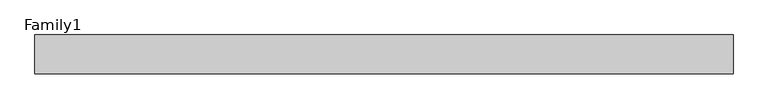
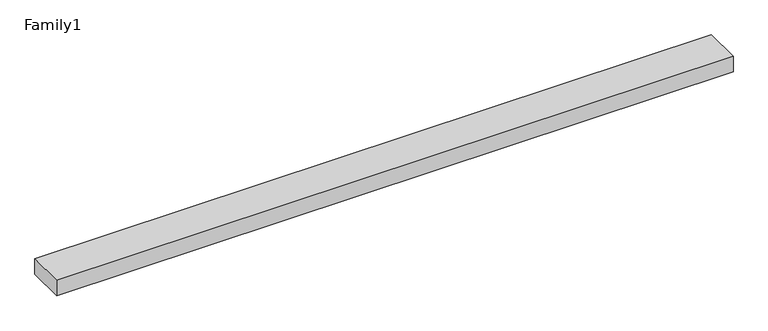
"""IFC4 building model written with IfcOpenShell, lengths in millimetres: proxy geometry, Family1."""

import ifcopenshell
import ifcopenshell.guid

model = None  # the IFC model being written
_history = None  # IfcOwnerHistory: only IFC2X3 demands one
_inside = {}  # id of a spatial element -> (the spatial element, [elements in it])
_under = {}  # id of a project, library or spatial element -> (it, [spatial elements below it])
_declared = {}  # id of a project -> (the project, [libraries it declares])
_typed = {}  # id of a type object -> (the type object, [elements of that type])
_made_of = {}  # id of a material, layer set ... -> (it, [elements and type objects made of it])


def new_model(schema):
    """Start an empty IFC model of exactly this schema.

    Asked for "IFC4X3", IfcOpenShell would pick the latest addendum, in which some entities
    have other attributes; the version numbers below select the first issue.
    IFC2X3 requires an IfcOwnerHistory on every rooted entity: one is made here for all.
    """
    global model, _history
    if schema == "IFC4X3":
        model = ifcopenshell.file(schema_version=(4, 3, 0, 0))
    else:
        model = ifcopenshell.file(schema=schema)
    _inside.clear()
    _under.clear()
    _declared.clear()
    _typed.clear()
    _made_of.clear()
    _history = None
    if model.schema == "IFC2X3":
        org = make("IfcOrganization", Name="unknown")
        user = make(
            "IfcPersonAndOrganization",
            ThePerson=make("IfcPerson", FamilyName="unknown"),
            TheOrganization=org,
        )
        app = make(
            "IfcApplication",
            ApplicationDeveloper=org,
            Version="unknown",
            ApplicationFullName="unknown",
            ApplicationIdentifier="unknown",
        )
        _history = make(
            "IfcOwnerHistory",
            OwningUser=user,
            OwningApplication=app,
            ChangeAction="ADDED",
            CreationDate=0,
        )
    return model


def make(cls, **values):
    """One entity of the class cls with the attributes given. An attribute that is None is left unset."""
    return model.create_entity(
        cls, **{name: value for name, value in values.items() if value is not None}
    )


def rooted(cls, **values):
    """An entity with a GlobalId (a new one), such as an element, a storey or a relation."""
    return make(cls, GlobalId=ifcopenshell.guid.new(), OwnerHistory=_history, **values)


def si_unit(unit_type, name, prefix=None):
    """IfcSIUnit, for example si_unit("LENGTHUNIT", "METRE", prefix="MILLI")."""
    return make("IfcSIUnit", UnitType=unit_type, Prefix=prefix, Name=name)


def assignment(units):
    """IfcUnitAssignment: the units of a project."""
    return None if units is None else make("IfcUnitAssignment", Units=units)


def point(xyz):
    """IfcCartesianPoint."""
    return None if xyz is None else make("IfcCartesianPoint", Coordinates=xyz)


def direction(xyz):
    """IfcDirection."""
    return None if xyz is None else make("IfcDirection", DirectionRatios=xyz)


def frame(location, z_axis=None, x_axis=None):
    """IfcAxis2Placement3D, a coordinate frame: its origin and axes. An axis left out is left unset."""
    return make(
        "IfcAxis2Placement3D",
        Location=point(location),
        Axis=direction(z_axis),
        RefDirection=direction(x_axis),
    )


def origin():
    """The frame at (0, 0, 0) with its axes left unset."""
    return frame((0.0, 0.0, 0.0))


def origin_with_axes():
    """The frame at (0, 0, 0) with the z axis (0, 0, 1) and the x axis (1, 0, 0) written out."""
    return frame((0.0, 0.0, 0.0), z_axis=(0.0, 0.0, 1.0), x_axis=(1.0, 0.0, 0.0))


def place(relative_to, where):
    """IfcLocalPlacement: puts the frame where relative to a parent placement (None: the world)."""
    return make(
        "IfcLocalPlacement", PlacementRelTo=relative_to, RelativePlacement=where
    )


def context(
    kind, dimensions, precision=None, world=None, true_north=None, identifier=None
):
    """IfcGeometricRepresentationContext, for example the 3D "Model" context."""
    return make(
        "IfcGeometricRepresentationContext",
        ContextIdentifier=identifier,
        ContextType=kind,
        CoordinateSpaceDimension=dimensions,
        Precision=precision,
        WorldCoordinateSystem=world,
        TrueNorth=true_north,
    )


def project(units=None, contexts=None):
    """IfcProject with its units and contexts."""
    return rooted(
        "IfcProject",
        Name="project",
        RepresentationContexts=contexts,
        UnitsInContext=assignment(units),
    )


def spatial(cls, under=None, at=None, **own):
    """A site, building, storey or space (cls), placed at a placement, below another one or the project."""
    s = rooted(cls, ObjectPlacement=at, **own)
    if under is not None:
        _under.setdefault(under.id(), (under, []))[1].append(s)
    return s


def polyline(points):
    """IfcPolyline through the points."""
    return make("IfcPolyline", Points=[point(p) for p in points])


def outline(outer, holes=None, kind="AREA"):
    """IfcArbitraryClosedProfileDef: a profile drawn as a closed curve; with holes, ...WithVoids."""
    if holes is None:
        return make("IfcArbitraryClosedProfileDef", ProfileType=kind, OuterCurve=outer)
    return make(
        "IfcArbitraryProfileDefWithVoids",
        ProfileType=kind,
        OuterCurve=outer,
        InnerCurves=holes,
    )


def extrude(swept, where, along, depth):
    """IfcExtrudedAreaSolid: the profile swept, set in the frame where, extruded along a direction by depth."""
    return make(
        "IfcExtrudedAreaSolid",
        SweptArea=swept,
        Position=where,
        ExtrudedDirection=direction(along),
        Depth=depth,
    )


def shape(context_of_items, identifier, shape_type, items):
    """IfcShapeRepresentation: the items that make up one representation, for example the "Body"."""
    return make(
        "IfcShapeRepresentation",
        ContextOfItems=context_of_items,
        RepresentationIdentifier=identifier,
        RepresentationType=shape_type,
        Items=items,
    )


def source(mapping_origin, context_of_items, identifier, shape_type, items):
    """IfcRepresentationMap: a shape defined once, which mapped items show again and again."""
    return make(
        "IfcRepresentationMap",
        MappingOrigin=mapping_origin,
        MappedRepresentation=shape(context_of_items, identifier, shape_type, items),
    )


def transform(
    local_origin,
    x_axis=None,
    y_axis=None,
    z_axis=None,
    scale=None,
    scale2=None,
    scale3=None,
    uniform=True,
):
    """IfcCartesianTransformationOperator3D, or its non-uniform kind. x_axis, y_axis, z_axis: its Axis1, 2, 3."""
    if uniform:
        return make(
            "IfcCartesianTransformationOperator3D",
            Axis1=direction(x_axis),
            Axis2=direction(y_axis),
            LocalOrigin=point(local_origin),
            Scale=scale,
            Axis3=direction(z_axis),
        )
    return make(
        "IfcCartesianTransformationOperator3DnonUniform",
        Axis1=direction(x_axis),
        Axis2=direction(y_axis),
        LocalOrigin=point(local_origin),
        Scale=scale,
        Axis3=direction(z_axis),
        Scale2=scale2,
        Scale3=scale3,
    )


def mapped(mapping_source, mapping_target):
    """IfcMappedItem: shows the shape of a source again, moved by a transform."""
    return make(
        "IfcMappedItem", MappingSource=mapping_source, MappingTarget=mapping_target
    )


def made_of(thing, what):
    """Note that an element or type object is made of a material, layer set ...; save() writes the relation."""
    if what is not None:
        _made_of.setdefault(what.id(), (what, []))[1].append(thing)
    return thing


def element(
    cls,
    number,
    at=None,
    inside=None,
    cuts=None,
    type_object=None,
    material=None,
    context=None,
    identifier="Body",
    shape_type=None,
    held_by="IfcProductDefinitionShape",
    body=None,
    shapes=None,
    **own,
):
    """One element of the class cls, such as IfcWall. Its Tag is "e" and its number.

    at: its placement. inside: the storey or other place that contains it. cuts: it is an
    opening in that element (IfcRelVoidsElement). A single representation is given by context,
    identifier, shape_type and body (its items); several are given by shapes. held_by: the class
    of the entity that holds the representations. save() writes the other relations.
    """
    e = rooted(cls, Tag="e%d" % number, ObjectPlacement=at, **own)
    if body is not None:
        shapes = [shape(context, identifier, shape_type, body)]
    if shapes is not None:
        e.Representation = make(held_by, Representations=shapes)
    if inside is not None:
        _inside.setdefault(inside.id(), (inside, []))[1].append(e)
    if cuts is not None:
        rooted(
            "IfcRelVoidsElement", RelatingBuildingElement=cuts, RelatedOpeningElement=e
        )
    if type_object is not None:
        _typed.setdefault(type_object.id(), (type_object, []))[1].append(e)
    return made_of(e, material)


def aggregate(whole, parts):
    """IfcRelAggregates: a whole, such as a stair, and the parts it consists of."""
    return rooted("IfcRelAggregates", RelatingObject=whole, RelatedObjects=parts)


def save(model, path):
    """Write the relations noted so far, then the file.

    IfcRelAggregates (storeys below a building ...), IfcRelContainedInSpatialStructure (elements
    in a storey), IfcRelDefinesByType, IfcRelAssociatesMaterial and IfcRelDeclares: one each for
    every whole, place, type object, material and project.
    """
    for whole, parts in _under.values():
        aggregate(whole, parts)
    for where, things in _inside.values():
        rooted(
            "IfcRelContainedInSpatialStructure",
            RelatedElements=things,
            RelatingStructure=where,
        )
    for kind, things in _typed.values():
        rooted("IfcRelDefinesByType", RelatedObjects=things, RelatingType=kind)
    for what, things in _made_of.values():
        rooted("IfcRelAssociatesMaterial", RelatedObjects=things, RelatingMaterial=what)
    for by, libraries in _declared.values():
        rooted("IfcRelDeclares", RelatingContext=by, RelatedDefinitions=libraries)
    model.write(path)


def family1_8ae7bcc1(model_context):
    return source(origin(), model_context, "Body", "SweptSolid", [
        extrude(outline(polyline([(90000.0, 0.0), (0.0, 0.0), (0.0, 5000.0), (90000.0, 5000.0), (90000.0, 0.0)])), origin_with_axes(), (0.0, 0.0, 1.0), 2158.0),
    ])


if __name__ == "__main__":
    model = new_model("IFC4")
    model_context = context("Model", 3, world=origin())
    ifc_project = project(units=[si_unit("LENGTHUNIT", "METRE", prefix="MILLI")], contexts=[model_context])
    site = spatial("IfcSite", under=ifc_project)
    building = spatial("IfcBuilding", under=site)
    placement = place(None, origin())
    family1_shape = family1_8ae7bcc1(model_context)
    element("IfcBuildingElementProxy", 1, Name="Family1", ObjectType="Family1", at=placement, inside=building, context=model_context, shape_type="MappedRepresentation", body=[
        mapped(family1_shape, transform((0.0, 0.0, 0.0), x_axis=(1.0, 0.0, 0.0), y_axis=(0.0, 1.0, 0.0), z_axis=(0.0, 0.0, 1.0))),
    ])
    save(model, "model.ifc")
